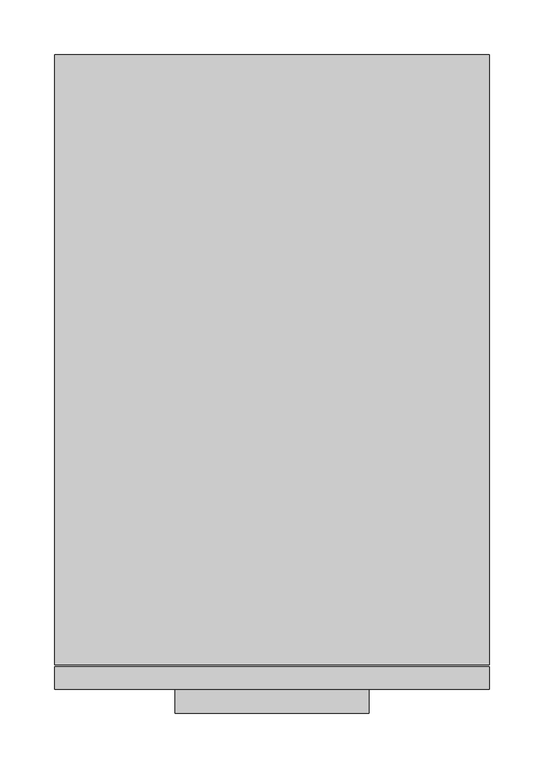
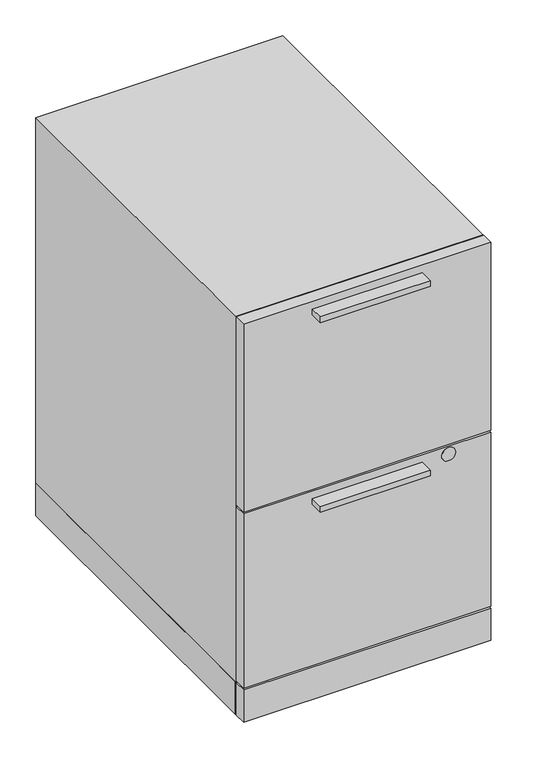
"""IFC4 building model written with IfcOpenShell, lengths in millimetres: furniture geometry."""

import ifcopenshell
import ifcopenshell.guid

model = None  # the IFC model being written
_history = None  # IfcOwnerHistory: only IFC2X3 demands one
_inside = {}  # id of a spatial element -> (the spatial element, [elements in it])
_under = {}  # id of a project, library or spatial element -> (it, [spatial elements below it])
_declared = {}  # id of a project -> (the project, [libraries it declares])
_typed = {}  # id of a type object -> (the type object, [elements of that type])
_made_of = {}  # id of a material, layer set ... -> (it, [elements and type objects made of it])


def new_model(schema):
    """Start an empty IFC model of exactly this schema.

    Asked for "IFC4X3", IfcOpenShell would pick the latest addendum, in which some entities
    have other attributes; the version numbers below select the first issue.
    IFC2X3 requires an IfcOwnerHistory on every rooted entity: one is made here for all.
    """
    global model, _history
    if schema == "IFC4X3":
        model = ifcopenshell.file(schema_version=(4, 3, 0, 0))
    else:
        model = ifcopenshell.file(schema=schema)
    _inside.clear()
    _under.clear()
    _declared.clear()
    _typed.clear()
    _made_of.clear()
    _history = None
    if model.schema == "IFC2X3":
        org = make("IfcOrganization", Name="unknown")
        user = make(
            "IfcPersonAndOrganization",
            ThePerson=make("IfcPerson", FamilyName="unknown"),
            TheOrganization=org,
        )
        app = make(
            "IfcApplication",
            ApplicationDeveloper=org,
            Version="unknown",
            ApplicationFullName="unknown",
            ApplicationIdentifier="unknown",
        )
        _history = make(
            "IfcOwnerHistory",
            OwningUser=user,
            OwningApplication=app,
            ChangeAction="ADDED",
            CreationDate=0,
        )
    return model


def make(cls, **values):
    """One entity of the class cls with the attributes given. An attribute that is None is left unset."""
    return model.create_entity(
        cls, **{name: value for name, value in values.items() if value is not None}
    )


def rooted(cls, **values):
    """An entity with a GlobalId (a new one), such as an element, a storey or a relation."""
    return make(cls, GlobalId=ifcopenshell.guid.new(), OwnerHistory=_history, **values)


def si_unit(unit_type, name, prefix=None):
    """IfcSIUnit, for example si_unit("LENGTHUNIT", "METRE", prefix="MILLI")."""
    return make("IfcSIUnit", UnitType=unit_type, Prefix=prefix, Name=name)


def assignment(units):
    """IfcUnitAssignment: the units of a project."""
    return None if units is None else make("IfcUnitAssignment", Units=units)


def point(xyz):
    """IfcCartesianPoint."""
    return None if xyz is None else make("IfcCartesianPoint", Coordinates=xyz)


def direction(xyz):
    """IfcDirection."""
    return None if xyz is None else make("IfcDirection", DirectionRatios=xyz)


def frame(location, z_axis=None, x_axis=None):
    """IfcAxis2Placement3D, a coordinate frame: its origin and axes. An axis left out is left unset."""
    return make(
        "IfcAxis2Placement3D",
        Location=point(location),
        Axis=direction(z_axis),
        RefDirection=direction(x_axis),
    )


def frame_2d(location, x_axis=None):
    """IfcAxis2Placement2D, a coordinate frame in the plane: its origin and x axis."""
    return make(
        "IfcAxis2Placement2D", Location=point(location), RefDirection=direction(x_axis)
    )


def origin():
    """The frame at (0, 0, 0) with its axes left unset."""
    return frame((0.0, 0.0, 0.0))


def origin_with_axes():
    """The frame at (0, 0, 0) with the z axis (0, 0, 1) and the x axis (1, 0, 0) written out."""
    return frame((0.0, 0.0, 0.0), z_axis=(0.0, 0.0, 1.0), x_axis=(1.0, 0.0, 0.0))


def place(relative_to, where):
    """IfcLocalPlacement: puts the frame where relative to a parent placement (None: the world)."""
    return make(
        "IfcLocalPlacement", PlacementRelTo=relative_to, RelativePlacement=where
    )


def context(
    kind, dimensions, precision=None, world=None, true_north=None, identifier=None
):
    """IfcGeometricRepresentationContext, for example the 3D "Model" context."""
    return make(
        "IfcGeometricRepresentationContext",
        ContextIdentifier=identifier,
        ContextType=kind,
        CoordinateSpaceDimension=dimensions,
        Precision=precision,
        WorldCoordinateSystem=world,
        TrueNorth=true_north,
    )


def project(units=None, contexts=None):
    """IfcProject with its units and contexts."""
    return rooted(
        "IfcProject",
        Name="project",
        RepresentationContexts=contexts,
        UnitsInContext=assignment(units),
    )


def spatial(cls, under=None, at=None, **own):
    """A site, building, storey or space (cls), placed at a placement, below another one or the project."""
    s = rooted(cls, ObjectPlacement=at, **own)
    if under is not None:
        _under.setdefault(under.id(), (under, []))[1].append(s)
    return s


def polyline(points):
    """IfcPolyline through the points."""
    return make("IfcPolyline", Points=[point(p) for p in points])


def circle_curve(where, radius):
    """IfcCircle in the frame where."""
    return make("IfcCircle", Position=where, Radius=radius)


def trimmed(basis, trim1, trim2, sense, master):
    """IfcTrimmedCurve: the piece of a basis curve between two trims."""
    return make(
        "IfcTrimmedCurve",
        BasisCurve=basis,
        Trim1=trim1,
        Trim2=trim2,
        SenseAgreement=sense,
        MasterRepresentation=master,
    )


def segment(curve, same_sense, transition):
    """IfcCompositeCurveSegment."""
    return make(
        "IfcCompositeCurveSegment",
        Transition=transition,
        SameSense=same_sense,
        ParentCurve=curve,
    )


def composite_curve(segments, self_intersect=None):
    """IfcCompositeCurve: segments joined end to end."""
    return make("IfcCompositeCurve", Segments=segments, SelfIntersect=self_intersect)


def outline(outer, holes=None, kind="AREA"):
    """IfcArbitraryClosedProfileDef: a profile drawn as a closed curve; with holes, ...WithVoids."""
    if holes is None:
        return make("IfcArbitraryClosedProfileDef", ProfileType=kind, OuterCurve=outer)
    return make(
        "IfcArbitraryProfileDefWithVoids",
        ProfileType=kind,
        OuterCurve=outer,
        InnerCurves=holes,
    )


def extrude(swept, where, along, depth):
    """IfcExtrudedAreaSolid: the profile swept, set in the frame where, extruded along a direction by depth."""
    return make(
        "IfcExtrudedAreaSolid",
        SweptArea=swept,
        Position=where,
        ExtrudedDirection=direction(along),
        Depth=depth,
    )


def faces_of(points, faces, orient=None, outer=None):
    """IfcFace entities. A face is a list of loops; a loop is a list of indices into points, from 0.

    orient and outer hold one flag for each loop. By default every Orientation is true, the
    first loop of a face is its IfcFaceOuterBound and the others are IfcFaceBound.
    """
    made = []
    for i, loops in enumerate(faces):
        bounds = []
        for j, loop in enumerate(loops):
            is_outer = j == 0 if outer is None else outer[i][j]
            bounds.append(
                make(
                    "IfcFaceOuterBound" if is_outer else "IfcFaceBound",
                    Bound=make("IfcPolyLoop", Polygon=[points[k] for k in loop]),
                    Orientation=True if orient is None else orient[i][j],
                )
            )
        made.append(make("IfcFace", Bounds=bounds))
    return made


def faceted_brep(points, faces, orient=None, outer=None, voids=None):
    """IfcFacetedBrep: a solid bounded by flat faces; with voids (closed shells), ...WithVoids."""
    shared = [point(p) for p in points]
    hull = make("IfcClosedShell", CfsFaces=faces_of(shared, faces, orient, outer))
    if voids is None:
        return make("IfcFacetedBrep", Outer=hull)
    return make(
        "IfcFacetedBrepWithVoids",
        Outer=hull,
        Voids=[
            make(cls, CfsFaces=faces_of(shared, fs, o, b)) for cls, fs, o, b in voids
        ],
    )


def shape(context_of_items, identifier, shape_type, items):
    """IfcShapeRepresentation: the items that make up one representation, for example the "Body"."""
    return make(
        "IfcShapeRepresentation",
        ContextOfItems=context_of_items,
        RepresentationIdentifier=identifier,
        RepresentationType=shape_type,
        Items=items,
    )


def source(mapping_origin, context_of_items, identifier, shape_type, items):
    """IfcRepresentationMap: a shape defined once, which mapped items show again and again."""
    return make(
        "IfcRepresentationMap",
        MappingOrigin=mapping_origin,
        MappedRepresentation=shape(context_of_items, identifier, shape_type, items),
    )


def transform(
    local_origin,
    x_axis=None,
    y_axis=None,
    z_axis=None,
    scale=None,
    scale2=None,
    scale3=None,
    uniform=True,
):
    """IfcCartesianTransformationOperator3D, or its non-uniform kind. x_axis, y_axis, z_axis: its Axis1, 2, 3."""
    if uniform:
        return make(
            "IfcCartesianTransformationOperator3D",
            Axis1=direction(x_axis),
            Axis2=direction(y_axis),
            LocalOrigin=point(local_origin),
            Scale=scale,
            Axis3=direction(z_axis),
        )
    return make(
        "IfcCartesianTransformationOperator3DnonUniform",
        Axis1=direction(x_axis),
        Axis2=direction(y_axis),
        LocalOrigin=point(local_origin),
        Scale=scale,
        Axis3=direction(z_axis),
        Scale2=scale2,
        Scale3=scale3,
    )


def mapped(mapping_source, mapping_target):
    """IfcMappedItem: shows the shape of a source again, moved by a transform."""
    return make(
        "IfcMappedItem", MappingSource=mapping_source, MappingTarget=mapping_target
    )


def made_of(thing, what):
    """Note that an element or type object is made of a material, layer set ...; save() writes the relation."""
    if what is not None:
        _made_of.setdefault(what.id(), (what, []))[1].append(thing)
    return thing


def element(
    cls,
    number,
    at=None,
    inside=None,
    cuts=None,
    type_object=None,
    material=None,
    context=None,
    identifier="Body",
    shape_type=None,
    held_by="IfcProductDefinitionShape",
    body=None,
    shapes=None,
    **own,
):
    """One element of the class cls, such as IfcWall. Its Tag is "e" and its number.

    at: its placement. inside: the storey or other place that contains it. cuts: it is an
    opening in that element (IfcRelVoidsElement). A single representation is given by context,
    identifier, shape_type and body (its items); several are given by shapes. held_by: the class
    of the entity that holds the representations. save() writes the other relations.
    """
    e = rooted(cls, Tag="e%d" % number, ObjectPlacement=at, **own)
    if body is not None:
        shapes = [shape(context, identifier, shape_type, body)]
    if shapes is not None:
        e.Representation = make(held_by, Representations=shapes)
    if inside is not None:
        _inside.setdefault(inside.id(), (inside, []))[1].append(e)
    if cuts is not None:
        rooted(
            "IfcRelVoidsElement", RelatingBuildingElement=cuts, RelatedOpeningElement=e
        )
    if type_object is not None:
        _typed.setdefault(type_object.id(), (type_object, []))[1].append(e)
    return made_of(e, material)


def aggregate(whole, parts):
    """IfcRelAggregates: a whole, such as a stair, and the parts it consists of."""
    return rooted("IfcRelAggregates", RelatingObject=whole, RelatedObjects=parts)


def save(model, path):
    """Write the relations noted so far, then the file.

    IfcRelAggregates (storeys below a building ...), IfcRelContainedInSpatialStructure (elements
    in a storey), IfcRelDefinesByType, IfcRelAssociatesMaterial and IfcRelDeclares: one each for
    every whole, place, type object, material and project.
    """
    for whole, parts in _under.values():
        aggregate(whole, parts)
    for where, things in _inside.values():
        rooted(
            "IfcRelContainedInSpatialStructure",
            RelatedElements=things,
            RelatingStructure=where,
        )
    for kind, things in _typed.values():
        rooted("IfcRelDefinesByType", RelatedObjects=things, RelatingType=kind)
    for what, things in _made_of.values():
        rooted("IfcRelAssociatesMaterial", RelatedObjects=things, RelatingMaterial=what)
    for by, libraries in _declared.values():
        rooted("IfcRelDeclares", RelatingContext=by, RelatedDefinitions=libraries)
    model.write(path)


def furniture_c0dc5d5f(model_context):
    return source(origin(), model_context, "Body", "SolidModel", [
        extrude(outline(polyline([(288.2773, -22.225), (110.4773, -22.225), (110.4773, 0.0), (288.2773, 0.0), (288.2773, -22.225)])), frame((0.0, 0.0, 336.525235), z_axis=(0.0, 0.0, 1.0), x_axis=(1.0, 0.0, 0.0)), (0.0, 0.0, 1.0), 9.525),
        extrude(outline(polyline([(288.2773, -22.225), (110.4773, -22.225), (110.4773, 0.0), (288.2773, 0.0), (288.2773, -22.225)])), frame((0.0, 0.0, 660.177115), z_axis=(0.0, 0.0, 1.0), x_axis=(1.0, 0.0, 0.0)), (0.0, 0.0, 1.0), 9.525),
        extrude(outline(composite_curve([segment(trimmed(circle_curve(frame_2d((345.2876, 330.5302)), 11.176), [point((345.2876, 341.7062))], [point((345.2876, 319.3542))], False, "CARTESIAN"), True, "CONTINUOUS"), segment(trimmed(circle_curve(frame_2d((345.2876, 330.5302)), 11.176), [point((345.2876, 319.3542))], [point((345.2876, 341.7062))], False, "CARTESIAN"), True, "CONTINUOUS")], self_intersect=False)), frame((0.0, -0.254, 0.0), z_axis=(0.0, 1.0, 0.0), x_axis=(0.0, 0.0, 1.0)), (0.0, 0.0, 1.0), 4.6646766),
        extrude(outline(polyline([(398.7546, 20.2819), (398.7546, 0.0), (0.0, 0.0), (0.0, 20.2819), (398.7546, 20.2819)])), frame((0.0, 0.0, 362.1532), z_axis=(0.0, 0.0, 1.0), x_axis=(1.0, 0.0, 0.0)), (0.0, 0.0, 1.0), 320.47688),
        extrude(outline(polyline([(398.7546, 20.2819), (398.7546, 0.0), (0.0, 0.0), (0.0, 20.2819), (398.7546, 20.2819)])), frame((0.0, 0.0, 61.9252), z_axis=(0.0, 0.0, 1.0), x_axis=(1.0, 0.0, 0.0)), (0.0, 0.0, 1.0), 297.053),
        extrude(outline(polyline([(398.7546, 20.2819), (398.7546, 0.0), (0.0, 0.0), (0.0, 20.2819), (398.7546, 20.2819)])), frame((0.0, 0.0, 3.5814), z_axis=(0.0, 0.0, 1.0), x_axis=(1.0, 0.0, 0.0)), (0.0, 0.0, 1.0), 55.1688),
        extrude(outline(polyline([(44.5897, 554.9646), (60.2488, 545.9238144), (60.2488, 527.8422432), (44.5897, 518.8014576), (28.9306, 527.8422432), (28.9306, 545.9238144), (44.5897, 554.9646)])), origin_with_axes(), (0.0, 0.0, 1.0), 8.4328),
        extrude(outline(polyline([(44.5897, 26.1874), (28.9306, 35.2281856), (28.9306, 53.3097568), (44.5897, 62.3505424), (60.2488, 53.3097568), (60.2488, 35.2281856), (44.5897, 26.1874)])), origin_with_axes(), (0.0, 0.0, 1.0), 8.4328),
        extrude(outline(polyline([(354.1649, 554.9646), (369.824, 545.9238144), (369.824, 527.8422432), (354.1649, 518.8014576), (338.5058, 527.8422432), (338.5058, 545.9238144), (354.1649, 554.9646)])), origin_with_axes(), (0.0, 0.0, 1.0), 8.4328),
        extrude(outline(polyline([(354.1649, 26.1874), (338.5058, 35.2281856), (338.5058, 53.3097568), (354.1649, 62.3505424), (369.824, 53.3097568), (369.824, 35.2281856), (354.1649, 26.1874)])), origin_with_axes(), (0.0, 0.0, 1.0), 8.4328),
        extrude(outline(polyline([(398.7546, 581.152), (398.7546, 23.0632), (0.0, 23.0632), (0.0, 581.152), (398.7546, 581.152)])), frame((0.0, 0.0, 3.5814), z_axis=(0.0, 0.0, 1.0), x_axis=(1.0, 0.0, 0.0)), (0.0, 0.0, 1.0), 55.1688),
        faceted_brep([(398.7546, 581.152, 682.63008), (398.7546, 581.152, 58.7502), (0.0, 581.152, 58.7502), (0.0, 581.152, 682.63008), (0.0, 22.0726, 682.63008), (398.7546, 22.0726, 682.63008), (0.0, 22.0726, 58.7502), (398.7546, 22.0726, 58.7502), (379.4506, 22.0726, 58.7502), (379.4506, 561.848, 58.7502), (19.304, 561.848, 58.7502), (19.304, 22.0726, 58.7502), (379.4506, 561.848, 663.32608), (19.304, 561.848, 663.32608), (379.4506, 22.0726, 663.32608), (19.304, 22.0726, 663.32608)], [[[0, 1, 2, 3]], [[0, 3, 4, 5]], [[3, 2, 6, 4]], [[2, 1, 7, 8, 9, 10, 11, 6]], [[1, 0, 5, 7]], [[12, 13, 10, 9]], [[13, 12, 14, 15]], [[10, 13, 15, 11]], [[12, 9, 8, 14]], [[5, 4, 6, 11, 15, 14, 8, 7]]]),
    ])


if __name__ == "__main__":
    model = new_model("IFC4")
    model_context = context("Model", 3, world=origin())
    ifc_project = project(units=[si_unit("LENGTHUNIT", "METRE", prefix="MILLI")], contexts=[model_context])
    site = spatial("IfcSite", under=ifc_project)
    building = spatial("IfcBuilding", under=site)
    placement = place(None, origin())
    furniture_shape = furniture_c0dc5d5f(model_context)
    element("IfcFurniture", 1, at=placement, inside=building, context=model_context, shape_type="MappedRepresentation", body=[
        mapped(furniture_shape, transform((0.0, 0.0, 0.0), x_axis=(1.0, 0.0, 0.0), y_axis=(0.0, 1.0, 0.0), z_axis=(0.0, 0.0, 1.0))),
    ])
    save(model, "model.ifc")
